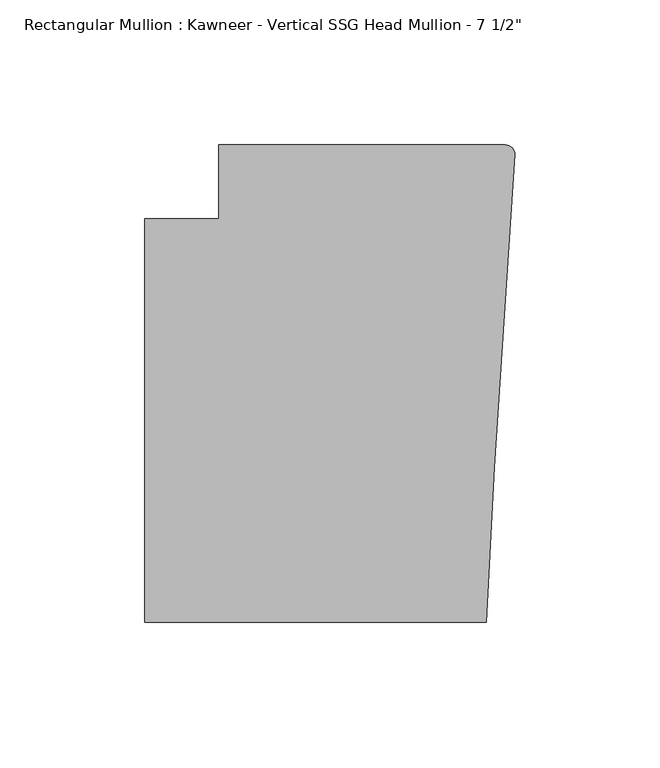
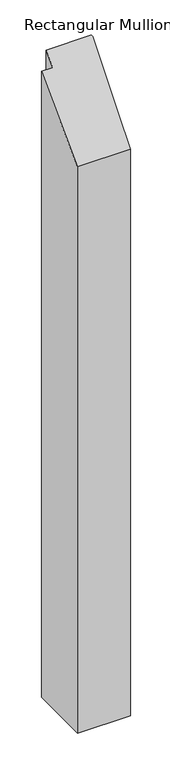
"""IFC4 building model written with IfcOpenShell, lengths in millimetres: member geometry."""

import ifcopenshell
import ifcopenshell.guid

model = None  # the IFC model being written
_history = None  # IfcOwnerHistory: only IFC2X3 demands one
_inside = {}  # id of a spatial element -> (the spatial element, [elements in it])
_under = {}  # id of a project, library or spatial element -> (it, [spatial elements below it])
_declared = {}  # id of a project -> (the project, [libraries it declares])
_typed = {}  # id of a type object -> (the type object, [elements of that type])
_made_of = {}  # id of a material, layer set ... -> (it, [elements and type objects made of it])


def new_model(schema):
    """Start an empty IFC model of exactly this schema.

    Asked for "IFC4X3", IfcOpenShell would pick the latest addendum, in which some entities
    have other attributes; the version numbers below select the first issue.
    IFC2X3 requires an IfcOwnerHistory on every rooted entity: one is made here for all.
    """
    global model, _history
    if schema == "IFC4X3":
        model = ifcopenshell.file(schema_version=(4, 3, 0, 0))
    else:
        model = ifcopenshell.file(schema=schema)
    _inside.clear()
    _under.clear()
    _declared.clear()
    _typed.clear()
    _made_of.clear()
    _history = None
    if model.schema == "IFC2X3":
        org = make("IfcOrganization", Name="unknown")
        user = make(
            "IfcPersonAndOrganization",
            ThePerson=make("IfcPerson", FamilyName="unknown"),
            TheOrganization=org,
        )
        app = make(
            "IfcApplication",
            ApplicationDeveloper=org,
            Version="unknown",
            ApplicationFullName="unknown",
            ApplicationIdentifier="unknown",
        )
        _history = make(
            "IfcOwnerHistory",
            OwningUser=user,
            OwningApplication=app,
            ChangeAction="ADDED",
            CreationDate=0,
        )
    return model


def make(cls, **values):
    """One entity of the class cls with the attributes given. An attribute that is None is left unset."""
    return model.create_entity(
        cls, **{name: value for name, value in values.items() if value is not None}
    )


def rooted(cls, **values):
    """An entity with a GlobalId (a new one), such as an element, a storey or a relation."""
    return make(cls, GlobalId=ifcopenshell.guid.new(), OwnerHistory=_history, **values)


def si_unit(unit_type, name, prefix=None):
    """IfcSIUnit, for example si_unit("LENGTHUNIT", "METRE", prefix="MILLI")."""
    return make("IfcSIUnit", UnitType=unit_type, Prefix=prefix, Name=name)


def assignment(units):
    """IfcUnitAssignment: the units of a project."""
    return None if units is None else make("IfcUnitAssignment", Units=units)


def point(xyz):
    """IfcCartesianPoint."""
    return None if xyz is None else make("IfcCartesianPoint", Coordinates=xyz)


def direction(xyz):
    """IfcDirection."""
    return None if xyz is None else make("IfcDirection", DirectionRatios=xyz)


def frame(location, z_axis=None, x_axis=None):
    """IfcAxis2Placement3D, a coordinate frame: its origin and axes. An axis left out is left unset."""
    return make(
        "IfcAxis2Placement3D",
        Location=point(location),
        Axis=direction(z_axis),
        RefDirection=direction(x_axis),
    )


def origin():
    """The frame at (0, 0, 0) with its axes left unset."""
    return frame((0.0, 0.0, 0.0))


def place(relative_to, where):
    """IfcLocalPlacement: puts the frame where relative to a parent placement (None: the world)."""
    return make(
        "IfcLocalPlacement", PlacementRelTo=relative_to, RelativePlacement=where
    )


def context(
    kind, dimensions, precision=None, world=None, true_north=None, identifier=None
):
    """IfcGeometricRepresentationContext, for example the 3D "Model" context."""
    return make(
        "IfcGeometricRepresentationContext",
        ContextIdentifier=identifier,
        ContextType=kind,
        CoordinateSpaceDimension=dimensions,
        Precision=precision,
        WorldCoordinateSystem=world,
        TrueNorth=true_north,
    )


def project(units=None, contexts=None):
    """IfcProject with its units and contexts."""
    return rooted(
        "IfcProject",
        Name="project",
        RepresentationContexts=contexts,
        UnitsInContext=assignment(units),
    )


def spatial(cls, under=None, at=None, **own):
    """A site, building, storey or space (cls), placed at a placement, below another one or the project."""
    s = rooted(cls, ObjectPlacement=at, **own)
    if under is not None:
        _under.setdefault(under.id(), (under, []))[1].append(s)
    return s


def circle_curve(where, radius):
    """IfcCircle in the frame where."""
    return make("IfcCircle", Position=where, Radius=radius)


def ellipse_curve(where, semi_axis1, semi_axis2):
    """IfcEllipse in the frame where."""
    return make(
        "IfcEllipse", Position=where, SemiAxis1=semi_axis1, SemiAxis2=semi_axis2
    )


def shape(context_of_items, identifier, shape_type, items):
    """IfcShapeRepresentation: the items that make up one representation, for example the "Body"."""
    return make(
        "IfcShapeRepresentation",
        ContextOfItems=context_of_items,
        RepresentationIdentifier=identifier,
        RepresentationType=shape_type,
        Items=items,
    )


def source(mapping_origin, context_of_items, identifier, shape_type, items):
    """IfcRepresentationMap: a shape defined once, which mapped items show again and again."""
    return make(
        "IfcRepresentationMap",
        MappingOrigin=mapping_origin,
        MappedRepresentation=shape(context_of_items, identifier, shape_type, items),
    )


def transform(
    local_origin,
    x_axis=None,
    y_axis=None,
    z_axis=None,
    scale=None,
    scale2=None,
    scale3=None,
    uniform=True,
):
    """IfcCartesianTransformationOperator3D, or its non-uniform kind. x_axis, y_axis, z_axis: its Axis1, 2, 3."""
    if uniform:
        return make(
            "IfcCartesianTransformationOperator3D",
            Axis1=direction(x_axis),
            Axis2=direction(y_axis),
            LocalOrigin=point(local_origin),
            Scale=scale,
            Axis3=direction(z_axis),
        )
    return make(
        "IfcCartesianTransformationOperator3DnonUniform",
        Axis1=direction(x_axis),
        Axis2=direction(y_axis),
        LocalOrigin=point(local_origin),
        Scale=scale,
        Axis3=direction(z_axis),
        Scale2=scale2,
        Scale3=scale3,
    )


def mapped(mapping_source, mapping_target):
    """IfcMappedItem: shows the shape of a source again, moved by a transform."""
    return make(
        "IfcMappedItem", MappingSource=mapping_source, MappingTarget=mapping_target
    )


def made_of(thing, what):
    """Note that an element or type object is made of a material, layer set ...; save() writes the relation."""
    if what is not None:
        _made_of.setdefault(what.id(), (what, []))[1].append(thing)
    return thing


def element(
    cls,
    number,
    at=None,
    inside=None,
    cuts=None,
    type_object=None,
    material=None,
    context=None,
    identifier="Body",
    shape_type=None,
    held_by="IfcProductDefinitionShape",
    body=None,
    shapes=None,
    **own,
):
    """One element of the class cls, such as IfcWall. Its Tag is "e" and its number.

    at: its placement. inside: the storey or other place that contains it. cuts: it is an
    opening in that element (IfcRelVoidsElement). A single representation is given by context,
    identifier, shape_type and body (its items); several are given by shapes. held_by: the class
    of the entity that holds the representations. save() writes the other relations.
    """
    e = rooted(cls, Tag="e%d" % number, ObjectPlacement=at, **own)
    if body is not None:
        shapes = [shape(context, identifier, shape_type, body)]
    if shapes is not None:
        e.Representation = make(held_by, Representations=shapes)
    if inside is not None:
        _inside.setdefault(inside.id(), (inside, []))[1].append(e)
    if cuts is not None:
        rooted(
            "IfcRelVoidsElement", RelatingBuildingElement=cuts, RelatedOpeningElement=e
        )
    if type_object is not None:
        _typed.setdefault(type_object.id(), (type_object, []))[1].append(e)
    return made_of(e, material)


def aggregate(whole, parts):
    """IfcRelAggregates: a whole, such as a stair, and the parts it consists of."""
    return rooted("IfcRelAggregates", RelatingObject=whole, RelatedObjects=parts)


def save(model, path):
    """Write the relations noted so far, then the file.

    IfcRelAggregates (storeys below a building ...), IfcRelContainedInSpatialStructure (elements
    in a storey), IfcRelDefinesByType, IfcRelAssociatesMaterial and IfcRelDeclares: one each for
    every whole, place, type object, material and project.
    """
    for whole, parts in _under.values():
        aggregate(whole, parts)
    for where, things in _inside.values():
        rooted(
            "IfcRelContainedInSpatialStructure",
            RelatedElements=things,
            RelatingStructure=where,
        )
    for kind, things in _typed.values():
        rooted("IfcRelDefinesByType", RelatedObjects=things, RelatingType=kind)
    for what, things in _made_of.values():
        rooted("IfcRelAssociatesMaterial", RelatedObjects=things, RelatingMaterial=what)
    for by, libraries in _declared.values():
        rooted("IfcRelDeclares", RelatingContext=by, RelatedDefinitions=libraries)
    model.write(path)


def plane_surface(at):
    """IfcPlane: the flat surface through the origin of the frame at, square to its z axis."""
    return make("IfcPlane", Position=at)


def cylinder_surface(at, radius):
    """IfcCylindricalSurface: all points at the distance radius from the z axis of the frame at."""
    return make("IfcCylindricalSurface", Position=at, Radius=radius)


def advanced_brep(points, edges, surfaces, faces):
    """IfcAdvancedBrep: a solid bounded by faces that lie on surfaces and meet in shared edges.

    An edge is (start, end): straight between two places in points (the first is 0);
    or (start, end, curve); or (start, end, curve, False) where it runs against its curve.
    A face is (place in surfaces, loops), or (place, loops, False) where it looks against
    its surface's normal. A loop lists edges by number (the first is 1), with a minus sign
    where the edge is run from its end to its start. The first loop is the outer one.
    """
    corners = [point(p) for p in points]
    vertices = [make("IfcVertexPoint", VertexGeometry=c) for c in corners]
    made = []
    for start, end, *more in edges:
        made.append(
            make(
                "IfcEdgeCurve",
                EdgeStart=vertices[start],
                EdgeEnd=vertices[end],
                EdgeGeometry=more[0] if more else make("IfcPolyline", Points=[corners[start], corners[end]]),
                SameSense=more[1] if len(more) > 1 else True,
            )
        )
    hull = []
    for where, loops, *sense in faces:
        bounds = []
        for j, loop in enumerate(loops):
            ring = [make("IfcOrientedEdge", EdgeElement=made[abs(k) - 1], Orientation=k > 0) for k in loop]
            bounds.append(
                make(
                    "IfcFaceOuterBound" if j == 0 else "IfcFaceBound",
                    Bound=make("IfcEdgeLoop", EdgeList=ring),
                    Orientation=True,
                )
            )
        hull.append(make("IfcAdvancedFace", Bounds=bounds, FaceSurface=surfaces[where], SameSense=sense[0] if sense else True))
    return make("IfcAdvancedBrep", Outer=make("IfcClosedShell", CfsFaces=hull))


def member_fdfbc4fb(model_context):
    return source(origin(), model_context, "Body", "AdvancedBrep", [
        advanced_brep(
        [(-102.08978, 12.7, -1478.8615768), (-3.175, 12.7, -1478.8615768), (-0.006635, 9.3198462, -1478.8615768), (-6.9873394, -98.4891117, -1478.8615768), (-9.7860662, -151.892, -1478.8615768), (-127.4896668, -151.892, -1478.8615768), (-127.4896668, -12.7, -1478.8615768), (-102.08978, -12.7, -1478.8615768), (-102.08978, -12.7, -12.7), (-102.08978, 12.7, 12.7), (-127.4896668, -12.7, -12.7), (-127.4896668, -151.892, -151.892), (-9.7860662, -151.892, -151.892), (-6.9873394, -98.4891117, -98.4891117), (-0.006635, 9.3198462, 9.3198462), (-3.175, 12.7, 12.7)],
        [
            (0, 1),
            (1, 2, circle_curve(frame((-3.175, 9.525, -1478.8615768), z_axis=(0.0, 0.0, -1.0), x_axis=(0.0, 1.0, 0.0)), 3.175)),
            (2, 3),
            (3, 4),
            (4, 5),
            (5, 6),
            (6, 7),
            (7, 0),
            (8, 9),
            (9, 0),
            (7, 8),
            (10, 8),
            (6, 10),
            (11, 10),
            (5, 11),
            (12, 11),
            (4, 12),
            (13, 12),
            (3, 13),
            (14, 13),
            (2, 14),
            (15, 14, ellipse_curve(frame((-3.175, 9.525, 9.525), z_axis=(0.0, 0.7071067811865481, -0.707106781186547), x_axis=(0.0, 0.7071067811865469, 0.707106781186548)), 4.4901281, 3.175)),
            (1, 15),
            (9, 15),
        ],
        [
            plane_surface(frame((0.0, -198.3048028, -1478.8615768), z_axis=(0.0, 0.0, -1.0), x_axis=(-1.0, 0.0, 0.0))),
            plane_surface(frame((-102.08978, 12.7, 0.0), z_axis=(-1.0, 0.0, 0.0), x_axis=(0.0, 0.0, -1.0))),
            plane_surface(frame((-102.08978, -12.7, 0.0), z_axis=(0.0, 1.0, 0.0), x_axis=(0.0, 0.0, -1.0))),
            plane_surface(frame((-127.4896668, -12.7, 0.0), z_axis=(-1.0, 0.0, 0.0), x_axis=(0.0, 0.0, -1.0))),
            plane_surface(frame((-127.4896668, -151.892, 0.0), z_axis=(0.0, -1.0, 0.0), x_axis=(0.0, 0.0, -1.0))),
            plane_surface(frame((-9.7860662, -151.892, 0.0), z_axis=(0.9986295347545738, -0.05233595624294541, 0.0), x_axis=(0.0, 0.0, -1.0))),
            plane_surface(frame((-6.9873394, -98.4891117, 0.0), z_axis=(0.9979102429769694, -0.06461537712995265, 0.0), x_axis=(0.0, 0.0, -1.0))),
            cylinder_surface(frame((-3.175, 9.525, 0.0), z_axis=(0.0, 0.0, 1.0), x_axis=(0.0, 1.0, 0.0)), 3.175),
            plane_surface(frame((-3.175, 12.7, 0.0), z_axis=(0.0, 1.0, 0.0), x_axis=(0.0, 0.0, -1.0))),
            plane_surface(frame((304.8, 0.0, 0.0), z_axis=(0.0, -0.7071067811865481, 0.707106781186547), x_axis=(0.0, -0.707106781186547, -0.7071067811865481))),
        ],
        [
            (0, [[1, 2, 3, 4, 5, 6, 7, 8]]),
            (1, [[9, 10, -8, 11]]),
            (2, [[12, -11, -7, 13]]),
            (3, [[14, -13, -6, 15]]),
            (4, [[16, -15, -5, 17]]),
            (5, [[18, -17, -4, 19]]),
            (6, [[20, -19, -3, 21]]),
            (7, [[22, -21, -2, 23]]),
            (8, [[24, -23, -1, -10]]),
            (9, [[-9, -12, -14, -16, -18, -20, -22, -24]]),
        ],
    ),
    ])


if __name__ == "__main__":
    model = new_model("IFC4")
    model_context = context("Model", 3, world=origin())
    ifc_project = project(units=[si_unit("LENGTHUNIT", "METRE", prefix="MILLI")], contexts=[model_context])
    site = spatial("IfcSite", under=ifc_project)
    building = spatial("IfcBuilding", under=site)
    placement = place(None, origin())
    member_shape = member_fdfbc4fb(model_context)
    element("IfcMember", 1, ObjectType="Rectangular Mullion : Kawneer - Vertical SSG Head Mullion - 7 1/2\"", at=placement, inside=building, context=model_context, shape_type="MappedRepresentation", body=[
        mapped(member_shape, transform((0.0, 0.0, 0.0), x_axis=(1.0, 0.0, 0.0), y_axis=(0.0, 1.0, 0.0), z_axis=(0.0, 0.0, 1.0))),
    ])
    save(model, "model.ifc")
